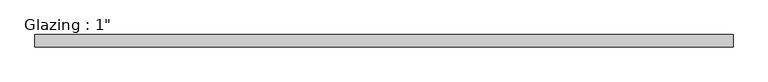
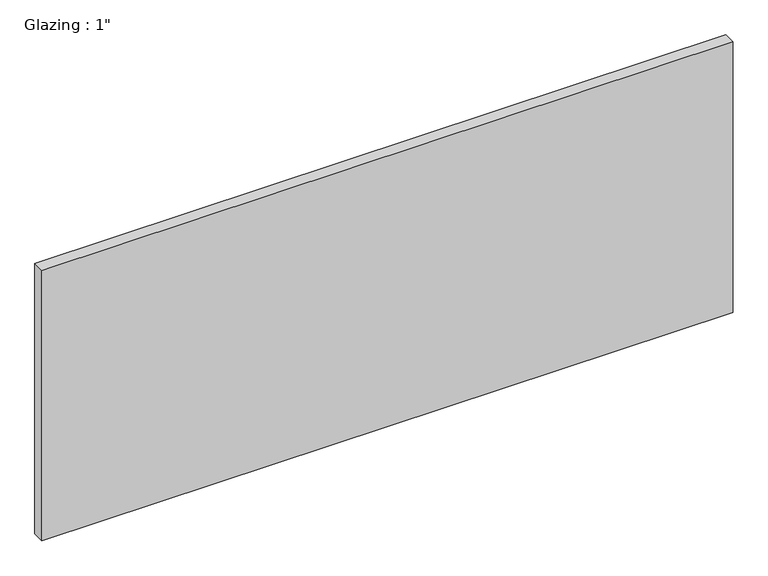
"""IFC4 building model written with IfcOpenShell, lengths in millimetres: plate geometry."""

from ifc_helpers import new_model, si_unit, origin, origin_with_axes, place, context, project, spatial, polyline, outline, extrude, source, transform, mapped, element, save


def plate_7fa4b2d3(model_context):
    return source(origin(), model_context, "Body", "SweptSolid", [
        extrude(outline(polyline([(717.0516736, -12.7), (-717.0516736, -12.7), (-717.0516736, 12.7), (717.0516736, 12.7), (717.0516736, -12.7)])), origin_with_axes(), (0.0, 0.0, 1.0), 593.7249245),
    ])


if __name__ == "__main__":
    model = new_model("IFC4")
    model_context = context("Model", 3, world=origin())
    ifc_project = project(units=[si_unit("LENGTHUNIT", "METRE", prefix="MILLI")], contexts=[model_context])
    site = spatial("IfcSite", under=ifc_project)
    building = spatial("IfcBuilding", under=site)
    placement = place(None, origin())
    plate_shape = plate_7fa4b2d3(model_context)
    element("IfcPlate", 1, ObjectType="Glazing : 1\"", at=placement, inside=building, context=model_context, shape_type="MappedRepresentation", body=[
        mapped(plate_shape, transform((0.0, 0.0, 0.0), x_axis=(1.0, 0.0, 0.0), y_axis=(0.0, 1.0, 0.0), z_axis=(0.0, 0.0, 1.0))),
    ])
    save(model, "model.ifc")
